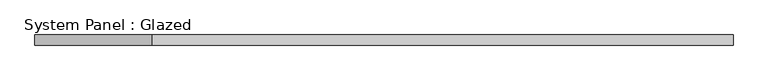
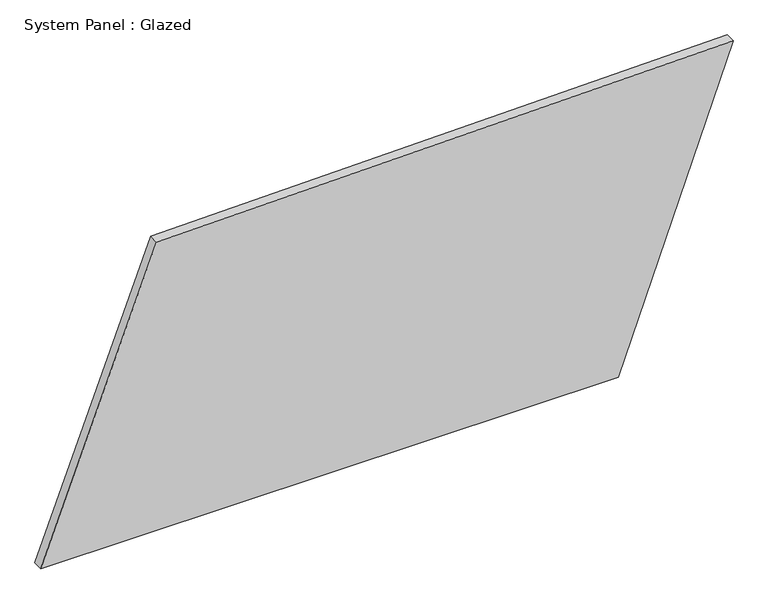
"""IFC4 building model written with IfcOpenShell, lengths in millimetres: plate geometry, System Panel : Glazed."""

from ifc_helpers import new_model, si_unit, frame, origin, place, context, project, spatial, polyline, outline, extrude, source, transform, mapped, element, save


def system_panel_glazed_f2d1f7b2(model_context):
    return source(origin(), model_context, "Body", "SweptSolid", [
        extrude(outline(polyline([(0.0, -862.1069426), (0.0, 575.7353785), (786.2400516, 862.1069426), (758.90105, -573.8203291), (0.0, -862.1069426)])), frame((0.0, -49.5, 0.0), z_axis=(0.0, 1.0, 0.0), x_axis=(0.0, 0.0, 1.0)), (0.0, 0.0, 1.0), 25.0),
    ])


if __name__ == "__main__":
    model = new_model("IFC4")
    model_context = context("Model", 3, world=origin())
    ifc_project = project(units=[si_unit("LENGTHUNIT", "METRE", prefix="MILLI")], contexts=[model_context])
    site = spatial("IfcSite", under=ifc_project)
    building = spatial("IfcBuilding", under=site)
    placement = place(None, origin())
    system_panel_glazed_shape = system_panel_glazed_f2d1f7b2(model_context)
    element("IfcPlate", 1, ObjectType="System Panel : Glazed", at=placement, inside=building, context=model_context, shape_type="MappedRepresentation", body=[
        mapped(system_panel_glazed_shape, transform((0.0, 0.0, 0.0), x_axis=(1.0, 0.0, 0.0), y_axis=(0.0, 1.0, 0.0), z_axis=(0.0, 0.0, 1.0))),
    ])
    save(model, "model.ifc")
